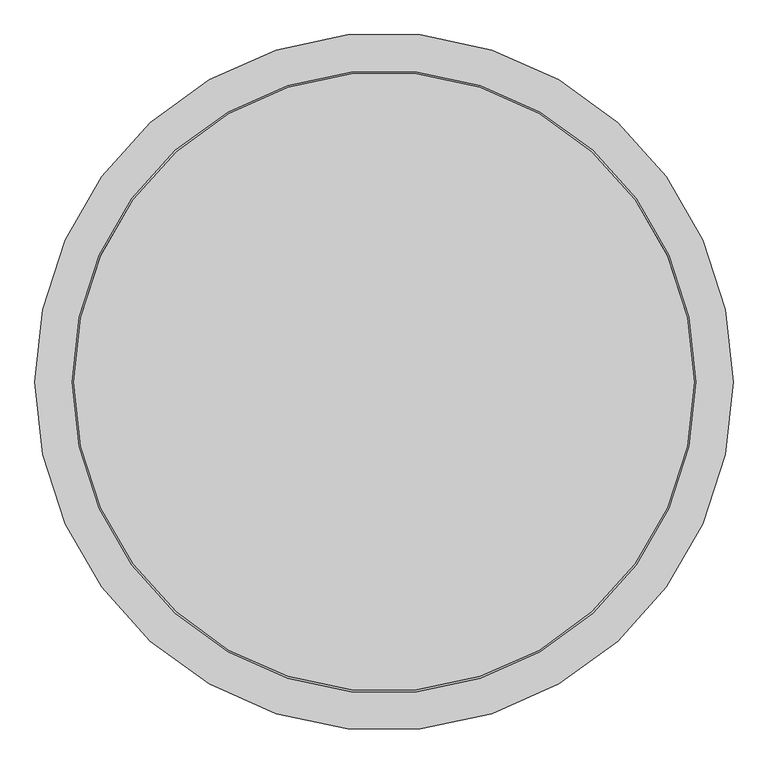
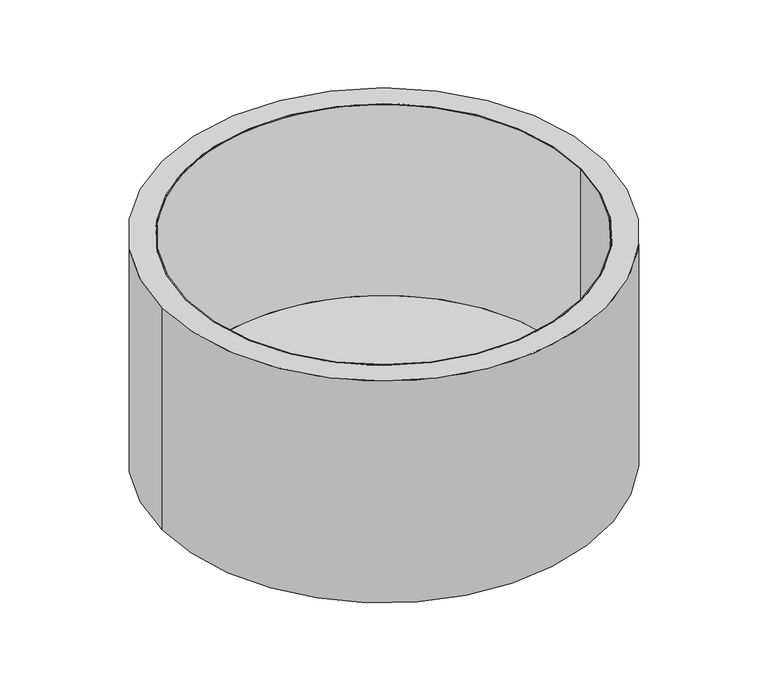
"""IFC4 building model written with IfcOpenShell, lengths in millimetres: proxy geometry."""

from ifc_helpers import new_model, si_unit, frame, origin, origin_with_axes, place, context, project, spatial, polyline, circle_curve, source, transform, mapped, element, save
from ifc_brep_helpers import plane_surface, cylinder_surface, revolved_surface, advanced_brep


def generic_models_8c9843f8(model_context):
    return source(origin(), model_context, "Body", "AdvancedBrep", [
        advanced_brep(
        [(746.0, 0.0, 124.0), (-746.0, 0.0, 124.0), (-750.0, 0.0, 120.0), (750.0, 0.0, 120.0), (750.0, 0.0, 124.0), (-750.0, 0.0, 124.0), (-750.0, 0.0, 890.0), (750.0, 0.0, 890.0), (-746.0, 0.0, 890.0), (746.0, 0.0, 890.0)],
        [
            (0, 1, circle_curve(frame((0.0, 0.0, 124.0), z_axis=(0.0, 0.0, 1.0), x_axis=(1.0, 0.0, 0.0)), 746.0)),
            (1, 0, circle_curve(frame((0.0, 0.0, 124.0), z_axis=(0.0, 0.0, 1.0), x_axis=(1.0, 0.0, 0.0)), 746.0)),
            (2, 3, circle_curve(frame((0.0, 0.0, 120.0), z_axis=(0.0, 0.0, -1.0), x_axis=(1.0, 0.0, 0.0)), 750.0)),
            (3, 2, circle_curve(frame((0.0, 0.0, 120.0), z_axis=(0.0, 0.0, -1.0), x_axis=(1.0, 0.0, 0.0)), 750.0)),
            (3, 4),
            (4, 5, circle_curve(frame((0.0, 0.0, 124.0), z_axis=(0.0, 0.0, -1.0), x_axis=(1.0, 0.0, 0.0)), 750.0)),
            (5, 2),
            (5, 4, circle_curve(frame((0.0, 0.0, 124.0), z_axis=(0.0, 0.0, -1.0), x_axis=(1.0, 0.0, 0.0)), 750.0)),
            (6, 7, circle_curve(frame((0.0, 0.0, 890.0), z_axis=(0.0, 0.0, 1.0), x_axis=(1.0, 0.0, 0.0)), 750.0)),
            (7, 6, circle_curve(frame((0.0, 0.0, 890.0), z_axis=(0.0, 0.0, 1.0), x_axis=(1.0, 0.0, 0.0)), 750.0)),
            (8, 9, circle_curve(frame((0.0, 0.0, 890.0), z_axis=(0.0, 0.0, -1.0), x_axis=(1.0, 0.0, 0.0)), 746.0)),
            (9, 8, circle_curve(frame((0.0, 0.0, 890.0), z_axis=(0.0, 0.0, -1.0), x_axis=(1.0, 0.0, 0.0)), 746.0)),
            (6, 5),
            (4, 7),
            (8, 1),
            (0, 9),
        ],
        [
            plane_surface(frame((750.0, 0.0, 124.0), z_axis=(0.0, 0.0, 1.0), x_axis=(0.0, 1.0, 0.0))),
            plane_surface(frame((750.0, 0.0, 120.0), z_axis=(0.0, 0.0, -1.0), x_axis=(0.0, -1.0, 0.0))),
            cylinder_surface(frame((0.0, 0.0, 120.0), z_axis=(0.0, 0.0, 1.0), x_axis=(1.0, 0.0, 0.0)), 750.0),
            plane_surface(frame((750.0, 0.0, 890.0), z_axis=(0.0, 0.0, 1.0), x_axis=(0.0, 1.0, 0.0))),
            revolved_surface(polyline([(746.0, 0.0, 124.0), (746.0, 0.0, 890.0)]), (0.0, 0.0, 0.0), (0.0, 0.0, -1.0)),
        ],
        [
            (0, [[1, 2]]),
            (1, [[3, 4]]),
            (2, [[-4, 5, 6, 7]]),
            (2, [[-3, -7, 8, -5]]),
            (3, [[9, 10], [11, 12]]),
            (2, [[-9, 13, -6, 14]]),
            (2, [[-10, -14, -8, -13]]),
            (4, [[-11, 15, -1, 16]]),
            (4, [[-12, -16, -2, -15]]),
        ],
    ),
        advanced_brep(
        [(-840.0, 0.0, 890.0), (840.0, 0.0, 890.0), (750.0, 0.0, 890.0), (-750.0, 0.0, 890.0), (-840.0, 0.0, 0.0), (840.0, 0.0, 0.0), (-750.0, 0.0, 120.0), (750.0, 0.0, 120.0)],
        [
            (0, 1, circle_curve(frame((0.0, 0.0, 890.0), z_axis=(0.0, 0.0, 1.0), x_axis=(1.0, 0.0, 0.0)), 840.0)),
            (1, 0, circle_curve(frame((0.0, 0.0, 890.0), z_axis=(0.0, 0.0, 1.0), x_axis=(1.0, 0.0, 0.0)), 840.0)),
            (2, 3, circle_curve(frame((0.0, 0.0, 890.0), z_axis=(0.0, 0.0, -1.0), x_axis=(1.0, 0.0, 0.0)), 750.0)),
            (3, 2, circle_curve(frame((0.0, 0.0, 890.0), z_axis=(0.0, 0.0, -1.0), x_axis=(1.0, 0.0, 0.0)), 750.0)),
            (4, 5, circle_curve(frame((0.0, 0.0, 0.0), z_axis=(0.0, 0.0, -1.0), x_axis=(1.0, 0.0, 0.0)), 840.0)),
            (5, 4, circle_curve(frame((0.0, 0.0, 0.0), z_axis=(0.0, 0.0, -1.0), x_axis=(1.0, 0.0, 0.0)), 840.0)),
            (0, 4),
            (5, 1),
            (6, 7, circle_curve(frame((0.0, 0.0, 120.0), z_axis=(0.0, 0.0, 1.0), x_axis=(1.0, 0.0, 0.0)), 750.0)),
            (7, 6, circle_curve(frame((0.0, 0.0, 120.0), z_axis=(0.0, 0.0, 1.0), x_axis=(1.0, 0.0, 0.0)), 750.0)),
            (6, 3),
            (2, 7),
        ],
        [
            plane_surface(frame((840.0, 0.0, 890.0), z_axis=(0.0, 0.0, 1.0), x_axis=(0.0, 1.0, 0.0))),
            plane_surface(frame((840.0, 0.0, 0.0), z_axis=(0.0, 0.0, -1.0), x_axis=(0.0, -1.0, 0.0))),
            cylinder_surface(origin_with_axes(), 840.0),
            plane_surface(frame((750.0, 0.0, 120.0), z_axis=(0.0, 0.0, 1.0), x_axis=(0.0, -1.0, 0.0))),
            revolved_surface(polyline([(750.0, 0.0, 890.0), (750.0, 0.0, 120.0)]), (0.0, 0.0, 120.0), (0.0, 0.0, 1.0)),
        ],
        [
            (0, [[1, 2], [3, 4]]),
            (1, [[5, 6]]),
            (2, [[-1, 7, -6, 8]]),
            (2, [[-2, -8, -5, -7]]),
            (3, [[9, 10]]),
            (4, [[-9, 11, -3, 12]]),
            (4, [[-10, -12, -4, -11]]),
        ],
    ),
    ])


if __name__ == "__main__":
    model = new_model("IFC4")
    model_context = context("Model", 3, world=origin())
    ifc_project = project(units=[si_unit("LENGTHUNIT", "METRE", prefix="MILLI")], contexts=[model_context])
    site = spatial("IfcSite", under=ifc_project)
    building = spatial("IfcBuilding", under=site)
    placement = place(None, origin())
    generic_models_shape = generic_models_8c9843f8(model_context)
    element("IfcBuildingElementProxy", 1, Name="Generic Models", at=placement, inside=building, context=model_context, shape_type="MappedRepresentation", body=[
        mapped(generic_models_shape, transform((0.0, 0.0, 0.0), x_axis=(1.0, 0.0, 0.0), y_axis=(0.0, 1.0, 0.0), z_axis=(0.0, 0.0, 1.0))),
    ])
    save(model, "model.ifc")
